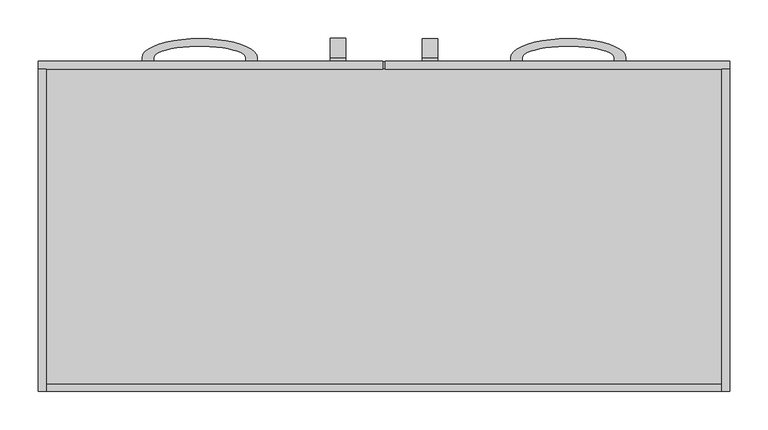
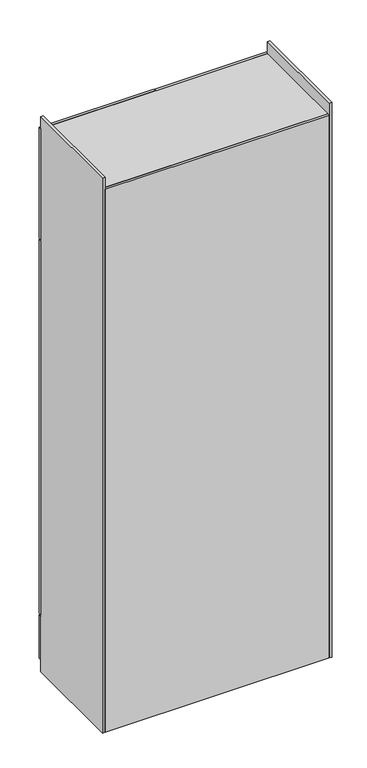
"""IFC4 building model written with IfcOpenShell, lengths in millimetres: furniture geometry."""

from ifc_helpers import new_model, si_unit, point, frame, origin, origin_with_axes, place, context, project, spatial, polyline, ellipse_curve, trimmed, outline, extrude, source, transform, mapped, element, save
from ifc_brep_helpers import plane_surface, extruded_surface, advanced_brep


def furniture_4c43ab45(model_context):
    return source(origin(), model_context, "Body", "SolidModel", [
        advanced_brep(
        [(-70.0, 215.0, 1090.0), (-70.0, 215.0, 1105.0), (-70.0, 220.0, 1105.0), (-70.0, 220.0, 955.0), (-70.0, 215.0, 955.0), (-70.0, 215.0, 970.0), (-70.0, 220.0, 970.0), (-70.0, 220.0, 1090.0), (-50.0, 215.0, 1090.0), (-50.0, 220.0, 1090.0), (-50.0, 220.0, 970.0), (-50.0, 215.0, 970.0), (-50.0, 215.0, 955.0), (-50.0, 220.0, 955.0), (-50.0, 220.0, 1105.0), (-50.0, 215.0, 1105.0)],
        [
            (0, 1),
            (1, 2),
            (2, 3, ellipse_curve(frame((-70.0, 220.0, 1030.0), z_axis=(-1.0, 0.0, 0.0), x_axis=(0.0, 0.0, 1.0)), 75.0, 25.0)),
            (3, 4),
            (4, 5),
            (5, 6),
            (6, 7, ellipse_curve(frame((-70.0, 220.0, 1030.0), z_axis=(1.0, 0.0, 0.0), x_axis=(0.0, 0.0, 1.0)), 60.0, 15.0)),
            (7, 0),
            (8, 9),
            (9, 10, ellipse_curve(frame((-50.0, 220.0, 1030.0), z_axis=(-1.0, 0.0, 0.0), x_axis=(0.0, 0.0, 1.0)), 60.0, 15.0)),
            (10, 11),
            (11, 12),
            (12, 13),
            (13, 14, ellipse_curve(frame((-50.0, 220.0, 1030.0), z_axis=(1.0, 0.0, 0.0), x_axis=(0.0, 0.0, 1.0)), 75.0, 25.0)),
            (14, 15),
            (15, 8),
            (7, 9),
            (8, 0),
            (6, 10),
            (5, 11),
            (4, 12),
            (3, 13),
            (2, 14),
            (1, 15),
        ],
        [
            plane_surface(frame((-70.0, 227.1119554, 1090.0), z_axis=(-1.0, 0.0, 0.0), x_axis=(0.0, 1.0, 0.0))),
            plane_surface(frame((-50.0, 227.1119554, 1090.0), z_axis=(1.0, 0.0, 0.0), x_axis=(0.0, -1.0, 0.0))),
            plane_surface(frame((-70.0, 215.0, 1090.0), z_axis=(0.0, 0.0, -1.0), x_axis=(1.0, 0.0, 0.0))),
            extruded_surface(trimmed(ellipse_curve(frame((-50.0, 220.0, 1030.0), z_axis=(-1.0, 0.0, 0.0), x_axis=(0.0, 0.0, 1.0)), 60.0, 15.0), [point((-50.0, 220.0, 1090.0))], [point((-50.0, 220.0, 970.0))], True, "CARTESIAN"), (20.0, 0.0, 0.0), 20.0),
            plane_surface(frame((-70.0, 220.0, 970.0), z_axis=(0.0, 0.0, 1.0), x_axis=(1.0, 0.0, 0.0))),
            plane_surface(frame((-70.0, 215.0, 970.0), z_axis=(0.0, -1.0, 0.0), x_axis=(1.0, 0.0, 0.0))),
            plane_surface(frame((-70.0, 215.0, 955.0), z_axis=(0.0, 0.0, -1.0), x_axis=(1.0, 0.0, 0.0))),
            extruded_surface(trimmed(ellipse_curve(frame((-50.0, 220.0, 1030.0), z_axis=(1.0, 0.0, 0.0), x_axis=(0.0, 0.0, 1.0)), 75.0, 25.0), [point((-50.0, 220.0, 955.0))], [point((-50.0, 220.0, 1105.0))], True, "CARTESIAN"), (20.0, 0.0, 0.0), 20.0),
            plane_surface(frame((-70.0, 220.0, 1105.0), z_axis=(0.0, 0.0, 1.0), x_axis=(1.0, 0.0, 0.0))),
            plane_surface(frame((-70.0, 215.0, 1105.0), z_axis=(0.0, -1.0, 0.0), x_axis=(1.0, 0.0, 0.0))),
        ],
        [
            (0, [[1, 2, 3, 4, 5, 6, 7, 8]]),
            (1, [[9, 10, 11, 12, 13, 14, 15, 16]]),
            (2, [[17, -9, 18, -8]]),
            (3, [[19, -10, -17, -7]]),
            (4, [[20, -11, -19, -6]]),
            (5, [[21, -12, -20, -5]]),
            (6, [[22, -13, -21, -4]]),
            (7, [[23, -14, -22, -3]]),
            (8, [[24, -15, -23, -2]]),
            (9, [[-18, -16, -24, -1]]),
        ],
    ),
        advanced_brep(
        [(70.0, 215.0, 1090.0), (70.0, 220.0, 1090.0), (70.0, 220.0, 970.0), (70.0, 215.0, 970.0), (70.0, 215.0, 955.0), (70.0, 220.0, 955.0), (70.0, 220.0, 1105.0), (70.0, 215.0, 1105.0), (50.0, 215.0, 1090.0), (50.0, 215.0, 1105.0), (50.0, 220.0, 1105.0), (50.0, 220.0, 955.0), (50.0, 215.0, 955.0), (50.0, 215.0, 970.0), (50.0, 220.0, 970.0), (50.0, 220.0, 1090.0)],
        [
            (0, 1),
            (1, 2, ellipse_curve(frame((70.0, 220.0, 1030.0), z_axis=(-1.0, 0.0, 0.0), x_axis=(0.0, 0.0, 1.0)), 60.0, 15.0)),
            (2, 3),
            (3, 4),
            (4, 5),
            (5, 6, ellipse_curve(frame((70.0, 220.0, 1030.0), z_axis=(1.0, 0.0, 0.0), x_axis=(0.0, 0.0, 1.0)), 75.0, 25.0)),
            (6, 7),
            (7, 0),
            (8, 9),
            (9, 10),
            (10, 11, ellipse_curve(frame((50.0, 220.0, 1030.0), z_axis=(-1.0, 0.0, 0.0), x_axis=(0.0, 0.0, 1.0)), 75.0, 25.0)),
            (11, 12),
            (12, 13),
            (13, 14),
            (14, 15, ellipse_curve(frame((50.0, 220.0, 1030.0), z_axis=(1.0, 0.0, 0.0), x_axis=(0.0, 0.0, 1.0)), 60.0, 15.0)),
            (15, 8),
            (0, 8),
            (15, 1),
            (14, 2),
            (13, 3),
            (12, 4),
            (11, 5),
            (10, 6),
            (9, 7),
        ],
        [
            plane_surface(frame((70.0, 227.1119554, 1090.0), z_axis=(1.0, 0.0, 0.0), x_axis=(0.0, 1.0, 0.0))),
            plane_surface(frame((50.0, 227.1119554, 1090.0), z_axis=(-1.0, 0.0, 0.0), x_axis=(0.0, -1.0, 0.0))),
            plane_surface(frame((70.0, 215.0, 1090.0), z_axis=(0.0, 0.0, -1.0), x_axis=(-1.0, 0.0, 0.0))),
            extruded_surface(trimmed(ellipse_curve(frame((30.0, 220.0, 1030.0), z_axis=(-1.0, 0.0, 0.0), x_axis=(0.0, 0.0, 1.0)), 60.0, 15.0), [point((30.0, 220.0, 1090.0))], [point((30.0, 220.0, 970.0))], True, "CARTESIAN"), (20.0, 0.0, 0.0), 20.0),
            plane_surface(frame((70.0, 220.0, 970.0), z_axis=(0.0, 0.0, 1.0), x_axis=(-1.0, 0.0, 0.0))),
            plane_surface(frame((70.0, 215.0, 970.0), z_axis=(0.0, -1.0, 0.0), x_axis=(-1.0, 0.0, 0.0))),
            plane_surface(frame((70.0, 215.0, 955.0), z_axis=(0.0, 0.0, -1.0), x_axis=(-1.0, 0.0, 0.0))),
            extruded_surface(trimmed(ellipse_curve(frame((30.0, 220.0, 1030.0), z_axis=(1.0, 0.0, 0.0), x_axis=(0.0, 0.0, 1.0)), 75.0, 25.0), [point((30.0, 220.0, 955.0))], [point((30.0, 220.0, 1105.0))], True, "CARTESIAN"), (20.0, 0.0, 0.0), 20.0),
            plane_surface(frame((70.0, 220.0, 1105.0), z_axis=(0.0, 0.0, 1.0), x_axis=(-1.0, 0.0, 0.0))),
            plane_surface(frame((70.0, 215.0, 1105.0), z_axis=(0.0, -1.0, 0.0), x_axis=(-1.0, 0.0, 0.0))),
        ],
        [
            (0, [[1, 2, 3, 4, 5, 6, 7, 8]]),
            (1, [[9, 10, 11, 12, 13, 14, 15, 16]]),
            (2, [[-1, 17, -16, 18]]),
            (3, [[-2, -18, -15, 19]]),
            (4, [[-3, -19, -14, 20]]),
            (5, [[-4, -20, -13, 21]]),
            (6, [[-5, -21, -12, 22]]),
            (7, [[-6, -22, -11, 23]]),
            (8, [[-7, -23, -10, 24]]),
            (9, [[-8, -24, -9, -17]]),
        ],
    ),
        advanced_brep(
        [(-300.0, 215.0, 140.0), (-315.0, 215.0, 140.0), (-315.0, 220.0, 140.0), (-165.0, 220.0, 140.0), (-165.0, 215.0, 140.0), (-180.0, 215.0, 140.0), (-180.0, 220.0, 140.0), (-300.0, 220.0, 140.0), (-300.0, 215.0, 160.0), (-300.0, 220.0, 160.0), (-180.0, 220.0, 160.0), (-180.0, 215.0, 160.0), (-165.0, 215.0, 160.0), (-165.0, 220.0, 160.0), (-315.0, 220.0, 160.0), (-315.0, 215.0, 160.0)],
        [
            (0, 1),
            (1, 2),
            (2, 3, ellipse_curve(frame((-240.0, 220.0, 140.0), z_axis=(0.0, 0.0, -1.0), x_axis=(-1.0, 0.0, 0.0)), 75.0, 25.0)),
            (3, 4),
            (4, 5),
            (5, 6),
            (6, 7, ellipse_curve(frame((-240.0, 220.0, 140.0), z_axis=(0.0, 0.0, 1.0), x_axis=(-1.0, 0.0, 0.0)), 60.0, 15.0)),
            (7, 0),
            (8, 9),
            (9, 10, ellipse_curve(frame((-240.0, 220.0, 160.0), z_axis=(0.0, 0.0, -1.0), x_axis=(-1.0, 0.0, 0.0)), 60.0, 15.0)),
            (10, 11),
            (11, 12),
            (12, 13),
            (13, 14, ellipse_curve(frame((-240.0, 220.0, 160.0), z_axis=(0.0, 0.0, 1.0), x_axis=(-1.0, 0.0, 0.0)), 75.0, 25.0)),
            (14, 15),
            (15, 8),
            (7, 9),
            (8, 0),
            (6, 10),
            (5, 11),
            (4, 12),
            (3, 13),
            (2, 14),
            (1, 15),
        ],
        [
            plane_surface(frame((-300.0, 227.1119554, 140.0), z_axis=(0.0, 0.0, -1.0), x_axis=(0.0, 1.0, 0.0))),
            plane_surface(frame((-300.0, 227.1119554, 160.0), z_axis=(0.0, 0.0, 1.0), x_axis=(0.0, -1.0, 0.0))),
            plane_surface(frame((-300.0, 215.0, 140.0), z_axis=(1.0, 0.0, 0.0), x_axis=(0.0, 0.0, 1.0))),
            extruded_surface(trimmed(ellipse_curve(frame((-240.0, 220.0, 160.0), z_axis=(0.0, 0.0, -1.0), x_axis=(-1.0, 0.0, 0.0)), 60.0, 15.0), [point((-300.0, 220.0, 160.0))], [point((-180.0, 220.0, 160.0))], True, "CARTESIAN"), (0.0, 0.0, 20.0), 20.0),
            plane_surface(frame((-180.0, 220.0, 140.0), z_axis=(-1.0, 0.0, 0.0), x_axis=(0.0, 0.0, 1.0))),
            plane_surface(frame((-180.0, 215.0, 140.0), z_axis=(0.0, -1.0, 0.0), x_axis=(0.0, 0.0, 1.0))),
            plane_surface(frame((-165.0, 215.0, 140.0), z_axis=(1.0, 0.0, 0.0), x_axis=(0.0, 0.0, 1.0))),
            extruded_surface(trimmed(ellipse_curve(frame((-240.0, 220.0, 160.0), z_axis=(0.0, 0.0, 1.0), x_axis=(-1.0, 0.0, 0.0)), 75.0, 25.0), [point((-165.0, 220.0, 160.0))], [point((-315.0, 220.0, 160.0))], True, "CARTESIAN"), (0.0, 0.0, 20.0), 20.0),
            plane_surface(frame((-315.0, 220.0, 140.0), z_axis=(-1.0, 0.0, 0.0), x_axis=(0.0, 0.0, 1.0))),
            plane_surface(frame((-315.0, 215.0, 140.0), z_axis=(0.0, -1.0, 0.0), x_axis=(0.0, 0.0, 1.0))),
        ],
        [
            (0, [[1, 2, 3, 4, 5, 6, 7, 8]]),
            (1, [[9, 10, 11, 12, 13, 14, 15, 16]]),
            (2, [[17, -9, 18, -8]]),
            (3, [[19, -10, -17, -7]]),
            (4, [[20, -11, -19, -6]]),
            (5, [[21, -12, -20, -5]]),
            (6, [[22, -13, -21, -4]]),
            (7, [[23, -14, -22, -3]]),
            (8, [[24, -15, -23, -2]]),
            (9, [[-18, -16, -24, -1]]),
        ],
    ),
        advanced_brep(
        [(-70.0, 215.0, 2030.0), (-70.0, 215.0, 2045.0), (-70.0, 220.0, 2045.0), (-70.0, 220.0, 1895.0), (-70.0, 215.0, 1895.0), (-70.0, 215.0, 1910.0), (-70.0, 220.0, 1910.0), (-70.0, 220.0, 2030.0), (-50.0, 215.0, 2030.0), (-50.0, 220.0, 2030.0), (-50.0, 220.0, 1910.0), (-50.0, 215.0, 1910.0), (-50.0, 215.0, 1895.0), (-50.0, 220.0, 1895.0), (-50.0, 220.0, 2045.0), (-50.0, 215.0, 2045.0)],
        [
            (0, 1),
            (1, 2),
            (2, 3, ellipse_curve(frame((-70.0, 220.0, 1970.0), z_axis=(-1.0, 0.0, 0.0), x_axis=(0.0, 0.0, 1.0)), 75.0, 25.0)),
            (3, 4),
            (4, 5),
            (5, 6),
            (6, 7, ellipse_curve(frame((-70.0, 220.0, 1970.0), z_axis=(1.0, 0.0, 0.0), x_axis=(0.0, 0.0, 1.0)), 60.0, 15.0)),
            (7, 0),
            (8, 9),
            (9, 10, ellipse_curve(frame((-50.0, 220.0, 1970.0), z_axis=(-1.0, 0.0, 0.0), x_axis=(0.0, 0.0, 1.0)), 60.0, 15.0)),
            (10, 11),
            (11, 12),
            (12, 13),
            (13, 14, ellipse_curve(frame((-50.0, 220.0, 1970.0), z_axis=(1.0, 0.0, 0.0), x_axis=(0.0, 0.0, 1.0)), 75.0, 25.0)),
            (14, 15),
            (15, 8),
            (7, 9),
            (8, 0),
            (6, 10),
            (5, 11),
            (4, 12),
            (3, 13),
            (2, 14),
            (1, 15),
        ],
        [
            plane_surface(frame((-70.0, 227.1119554, 2030.0), z_axis=(-1.0, 0.0, 0.0), x_axis=(0.0, 1.0, 0.0))),
            plane_surface(frame((-50.0, 227.1119554, 2030.0), z_axis=(1.0, 0.0, 0.0), x_axis=(0.0, -1.0, 0.0))),
            plane_surface(frame((-70.0, 215.0, 2030.0), z_axis=(0.0, 0.0, -1.0), x_axis=(1.0, 0.0, 0.0))),
            extruded_surface(trimmed(ellipse_curve(frame((-50.0, 220.0, 1970.0), z_axis=(-1.0, 0.0, 0.0), x_axis=(0.0, 0.0, 1.0)), 60.0, 15.0), [point((-50.0, 220.0, 2030.0))], [point((-50.0, 220.0, 1910.0))], True, "CARTESIAN"), (20.0, 0.0, 0.0), 20.0),
            plane_surface(frame((-70.0, 220.0, 1910.0), z_axis=(0.0, 0.0, 1.0), x_axis=(1.0, 0.0, 0.0))),
            plane_surface(frame((-70.0, 215.0, 1910.0), z_axis=(0.0, -1.0, 0.0), x_axis=(1.0, 0.0, 0.0))),
            plane_surface(frame((-70.0, 215.0, 1895.0), z_axis=(0.0, 0.0, -1.0), x_axis=(1.0, 0.0, 0.0))),
            extruded_surface(trimmed(ellipse_curve(frame((-50.0, 220.0, 1970.0), z_axis=(1.0, 0.0, 0.0), x_axis=(0.0, 0.0, 1.0)), 75.0, 25.0), [point((-50.0, 220.0, 1895.0))], [point((-50.0, 220.0, 2045.0))], True, "CARTESIAN"), (20.0, 0.0, 0.0), 20.0),
            plane_surface(frame((-70.0, 220.0, 2045.0), z_axis=(0.0, 0.0, 1.0), x_axis=(1.0, 0.0, 0.0))),
            plane_surface(frame((-70.0, 215.0, 2045.0), z_axis=(0.0, -1.0, 0.0), x_axis=(1.0, 0.0, 0.0))),
        ],
        [
            (0, [[1, 2, 3, 4, 5, 6, 7, 8]]),
            (1, [[9, 10, 11, 12, 13, 14, 15, 16]]),
            (2, [[17, -9, 18, -8]]),
            (3, [[19, -10, -17, -7]]),
            (4, [[20, -11, -19, -6]]),
            (5, [[21, -12, -20, -5]]),
            (6, [[22, -13, -21, -4]]),
            (7, [[23, -14, -22, -3]]),
            (8, [[24, -15, -23, -2]]),
            (9, [[-18, -16, -24, -1]]),
        ],
    ),
        advanced_brep(
        [(70.0, 215.0, 2030.0), (70.0, 220.0, 2030.0), (70.0, 220.0, 1910.0), (70.0, 215.0, 1910.0), (70.0, 215.0, 1895.0), (70.0, 220.0, 1895.0), (70.0, 220.0, 2045.0), (70.0, 215.0, 2045.0), (50.0, 215.0, 2030.0), (50.0, 215.0, 2045.0), (50.0, 220.0, 2045.0), (50.0, 220.0, 1895.0), (50.0, 215.0, 1895.0), (50.0, 215.0, 1910.0), (50.0, 220.0, 1910.0), (50.0, 220.0, 2030.0)],
        [
            (0, 1),
            (1, 2, ellipse_curve(frame((70.0, 220.0, 1970.0), z_axis=(-1.0, 0.0, 0.0), x_axis=(0.0, 0.0, 1.0)), 60.0, 15.0)),
            (2, 3),
            (3, 4),
            (4, 5),
            (5, 6, ellipse_curve(frame((70.0, 220.0, 1970.0), z_axis=(1.0, 0.0, 0.0), x_axis=(0.0, 0.0, 1.0)), 75.0, 25.0)),
            (6, 7),
            (7, 0),
            (8, 9),
            (9, 10),
            (10, 11, ellipse_curve(frame((50.0, 220.0, 1970.0), z_axis=(-1.0, 0.0, 0.0), x_axis=(0.0, 0.0, 1.0)), 75.0, 25.0)),
            (11, 12),
            (12, 13),
            (13, 14),
            (14, 15, ellipse_curve(frame((50.0, 220.0, 1970.0), z_axis=(1.0, 0.0, 0.0), x_axis=(0.0, 0.0, 1.0)), 60.0, 15.0)),
            (15, 8),
            (0, 8),
            (15, 1),
            (14, 2),
            (13, 3),
            (12, 4),
            (11, 5),
            (10, 6),
            (9, 7),
        ],
        [
            plane_surface(frame((70.0, 227.1119554, 2030.0), z_axis=(1.0, 0.0, 0.0), x_axis=(0.0, 1.0, 0.0))),
            plane_surface(frame((50.0, 227.1119554, 2030.0), z_axis=(-1.0, 0.0, 0.0), x_axis=(0.0, -1.0, 0.0))),
            plane_surface(frame((70.0, 215.0, 2030.0), z_axis=(0.0, 0.0, -1.0), x_axis=(-1.0, 0.0, 0.0))),
            extruded_surface(trimmed(ellipse_curve(frame((30.0, 220.0, 1970.0), z_axis=(-1.0, 0.0, 0.0), x_axis=(0.0, 0.0, 1.0)), 60.0, 15.0), [point((30.0, 220.0, 2030.0))], [point((30.0, 220.0, 1910.0))], True, "CARTESIAN"), (20.0, 0.0, 0.0), 20.0),
            plane_surface(frame((70.0, 220.0, 1910.0), z_axis=(0.0, 0.0, 1.0), x_axis=(-1.0, 0.0, 0.0))),
            plane_surface(frame((70.0, 215.0, 1910.0), z_axis=(0.0, -1.0, 0.0), x_axis=(-1.0, 0.0, 0.0))),
            plane_surface(frame((70.0, 215.0, 1895.0), z_axis=(0.0, 0.0, -1.0), x_axis=(-1.0, 0.0, 0.0))),
            extruded_surface(trimmed(ellipse_curve(frame((30.0, 220.0, 1970.0), z_axis=(1.0, 0.0, 0.0), x_axis=(0.0, 0.0, 1.0)), 75.0, 25.0), [point((30.0, 220.0, 1895.0))], [point((30.0, 220.0, 2045.0))], True, "CARTESIAN"), (20.0, 0.0, 0.0), 20.0),
            plane_surface(frame((70.0, 220.0, 2045.0), z_axis=(0.0, 0.0, 1.0), x_axis=(-1.0, 0.0, 0.0))),
            plane_surface(frame((70.0, 215.0, 2045.0), z_axis=(0.0, -1.0, 0.0), x_axis=(-1.0, 0.0, 0.0))),
        ],
        [
            (0, [[1, 2, 3, 4, 5, 6, 7, 8]]),
            (1, [[9, 10, 11, 12, 13, 14, 15, 16]]),
            (2, [[-1, 17, -16, 18]]),
            (3, [[-2, -18, -15, 19]]),
            (4, [[-3, -19, -14, 20]]),
            (5, [[-4, -20, -13, 21]]),
            (6, [[-5, -21, -12, 22]]),
            (7, [[-6, -22, -11, 23]]),
            (8, [[-7, -23, -10, 24]]),
            (9, [[-8, -24, -9, -17]]),
        ],
    ),
        advanced_brep(
        [(300.0, 215.0, 140.0), (300.0, 220.0, 140.0), (180.0, 220.0, 140.0), (180.0, 215.0, 140.0), (165.0, 215.0, 140.0), (165.0, 220.0, 140.0), (315.0, 220.0, 140.0), (315.0, 215.0, 140.0), (300.0, 215.0, 160.0), (315.0, 215.0, 160.0), (315.0, 220.0, 160.0), (165.0, 220.0, 160.0), (165.0, 215.0, 160.0), (180.0, 215.0, 160.0), (180.0, 220.0, 160.0), (300.0, 220.0, 160.0)],
        [
            (0, 1),
            (1, 2, ellipse_curve(frame((240.0, 220.0, 140.0), z_axis=(0.0, 0.0, 1.0), x_axis=(1.0, 0.0, 0.0)), 60.0, 15.0)),
            (2, 3),
            (3, 4),
            (4, 5),
            (5, 6, ellipse_curve(frame((240.0, 220.0, 140.0), z_axis=(0.0, 0.0, -1.0), x_axis=(1.0, 0.0, 0.0)), 75.0, 25.0)),
            (6, 7),
            (7, 0),
            (8, 9),
            (9, 10),
            (10, 11, ellipse_curve(frame((240.0, 220.0, 160.0), z_axis=(0.0, 0.0, 1.0), x_axis=(1.0, 0.0, 0.0)), 75.0, 25.0)),
            (11, 12),
            (12, 13),
            (13, 14),
            (14, 15, ellipse_curve(frame((240.0, 220.0, 160.0), z_axis=(0.0, 0.0, -1.0), x_axis=(1.0, 0.0, 0.0)), 60.0, 15.0)),
            (15, 8),
            (0, 8),
            (15, 1),
            (14, 2),
            (13, 3),
            (12, 4),
            (11, 5),
            (10, 6),
            (9, 7),
        ],
        [
            plane_surface(frame((300.0, 227.1119554, 140.0), z_axis=(0.0, 0.0, -1.0), x_axis=(0.0, 1.0, 0.0))),
            plane_surface(frame((300.0, 227.1119554, 160.0), z_axis=(0.0, 0.0, 1.0), x_axis=(0.0, -1.0, 0.0))),
            plane_surface(frame((300.0, 215.0, 140.0), z_axis=(-1.0, 0.0, 0.0), x_axis=(0.0, 0.0, 1.0))),
            extruded_surface(trimmed(ellipse_curve(frame((240.0, 220.0, 180.0), z_axis=(0.0, 0.0, 1.0), x_axis=(1.0, 0.0, 0.0)), 60.0, 15.0), [point((300.0, 220.0, 180.0))], [point((180.0, 220.0, 180.0))], True, "CARTESIAN"), (0.0, 0.0, -20.0), 20.0),
            plane_surface(frame((180.0, 220.0, 140.0), z_axis=(1.0, 0.0, 0.0), x_axis=(0.0, 0.0, 1.0))),
            plane_surface(frame((180.0, 215.0, 140.0), z_axis=(0.0, -1.0, 0.0), x_axis=(0.0, 0.0, 1.0))),
            plane_surface(frame((165.0, 215.0, 140.0), z_axis=(-1.0, 0.0, 0.0), x_axis=(0.0, 0.0, 1.0))),
            extruded_surface(trimmed(ellipse_curve(frame((240.0, 220.0, 180.0), z_axis=(0.0, 0.0, -1.0), x_axis=(1.0, 0.0, 0.0)), 75.0, 25.0), [point((165.0, 220.0, 180.0))], [point((315.0, 220.0, 180.0))], True, "CARTESIAN"), (0.0, 0.0, -20.0), 20.0),
            plane_surface(frame((315.0, 220.0, 140.0), z_axis=(1.0, 0.0, 0.0), x_axis=(0.0, 0.0, 1.0))),
            plane_surface(frame((315.0, 215.0, 140.0), z_axis=(0.0, -1.0, 0.0), x_axis=(0.0, 0.0, 1.0))),
        ],
        [
            (0, [[1, 2, 3, 4, 5, 6, 7, 8]]),
            (1, [[9, 10, 11, 12, 13, 14, 15, 16]]),
            (2, [[-1, 17, -16, 18]]),
            (3, [[-2, -18, -15, 19]]),
            (4, [[-3, -19, -14, 20]]),
            (5, [[-4, -20, -13, 21]]),
            (6, [[-5, -21, -12, 22]]),
            (7, [[-6, -22, -11, 23]]),
            (8, [[-7, -23, -10, 24]]),
            (9, [[-8, -24, -9, -17]]),
        ],
    ),
        extrude(outline(polyline([(1.779776, 215.0), (450.0, 215.0), (450.0, 205.0), (1.779776, 205.0), (1.779776, 215.0)])), frame((0.0, 0.0, 234.990813), z_axis=(0.0, 0.0, 1.0), x_axis=(1.0, 0.0, 0.0)), (0.0, 0.0, 1.0), 1550.9958691),
        extrude(outline(polyline([(-1.3749556, 215.0), (-1.3749556, 205.0), (-450.0, 205.0), (-450.0, 215.0), (-1.3749556, 215.0)])), frame((0.0, 0.0, 234.990813), z_axis=(0.0, 0.0, 1.0), x_axis=(1.0, 0.0, 0.0)), (0.0, 0.0, 1.0), 1550.9958691),
        extrude(outline(polyline([(1.779776, 215.0), (450.0, 215.0), (450.0, 205.0), (1.779776, 205.0), (1.779776, 215.0)])), frame((0.0, 0.0, 1790.0), z_axis=(0.0, 0.0, 1.0), x_axis=(1.0, 0.0, 0.0)), (0.0, 0.0, 1.0), 460.0),
        extrude(outline(polyline([(-1.3749556, 215.0), (-1.3749556, 205.0), (-450.0, 205.0), (-450.0, 215.0), (-1.3749556, 215.0)])), frame((0.0, 0.0, 1790.0), z_axis=(0.0, 0.0, 1.0), x_axis=(1.0, 0.0, 0.0)), (0.0, 0.0, 1.0), 460.0),
        extrude(outline(polyline([(440.0, -205.0), (-440.0, -205.0), (-440.0, 205.0), (440.0, 205.0), (440.0, -205.0)])), frame((0.0, 0.0, 2240.0), z_axis=(0.0, 0.0, 1.0), x_axis=(1.0, 0.0, 0.0)), (0.0, 0.0, 1.0), 10.0),
        extrude(outline(polyline([(-440.0, 205.0), (-440.0, -215.0), (-450.0, -215.0), (-450.0, 205.0), (-440.0, 205.0)])), origin_with_axes(), (0.0, 0.0, 1.0), 2300.0),
        extrude(outline(polyline([(440.0, 205.0), (450.0, 205.0), (450.0, -215.0), (440.0, -215.0), (440.0, 205.0)])), origin_with_axes(), (0.0, 0.0, 1.0), 2300.0),
        extrude(outline(polyline([(440.0, 205.0), (440.0, 195.0), (-440.0, 195.0), (-440.0, 205.0), (440.0, 205.0)])), origin_with_axes(), (0.0, 0.0, 1.0), 50.0),
        extrude(outline(polyline([(450.0, 215.0), (450.0, 205.0), (-450.0, 205.0), (-450.0, 215.0), (450.0, 215.0)])), frame((0.0, 0.0, 50.0), z_axis=(0.0, 0.0, 1.0), x_axis=(1.0, 0.0, 0.0)), (0.0, 0.0, 1.0), 180.0),
        extrude(outline(polyline([(440.0, -215.0), (-440.0, -215.0), (-440.0, -205.0), (440.0, -205.0), (440.0, -215.0)])), origin_with_axes(), (0.0, 0.0, 1.0), 2250.0),
    ])


if __name__ == "__main__":
    model = new_model("IFC4")
    model_context = context("Model", 3, world=origin())
    ifc_project = project(units=[si_unit("LENGTHUNIT", "METRE", prefix="MILLI")], contexts=[model_context])
    site = spatial("IfcSite", under=ifc_project)
    building = spatial("IfcBuilding", under=site)
    placement = place(None, origin())
    furniture_shape = furniture_4c43ab45(model_context)
    element("IfcFurniture", 1, at=placement, inside=building, context=model_context, shape_type="MappedRepresentation", body=[
        mapped(furniture_shape, transform((0.0, 0.0, 0.0), x_axis=(1.0, 0.0, 0.0), y_axis=(0.0, 1.0, 0.0), z_axis=(0.0, 0.0, 1.0))),
    ])
    save(model, "model.ifc")
